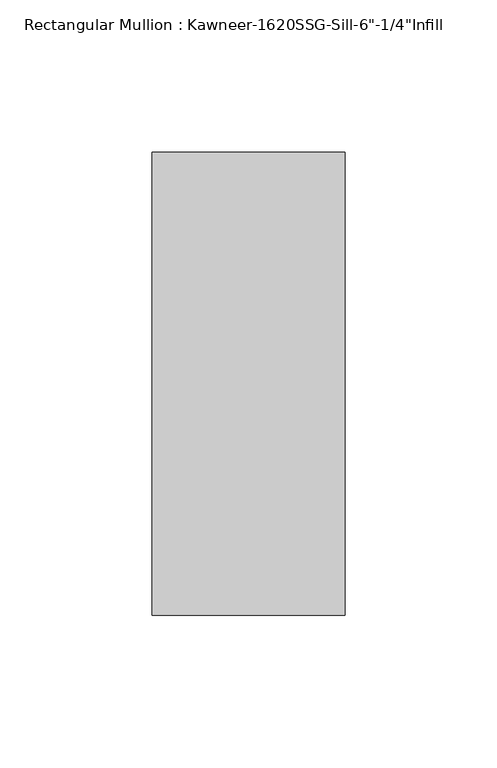
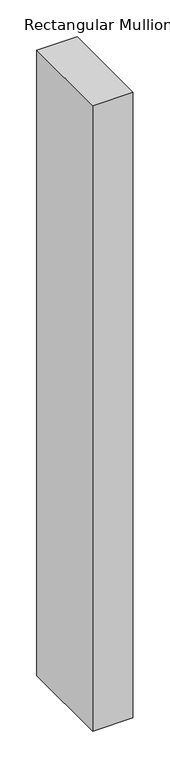
"""IFC4 building model written with IfcOpenShell, lengths in millimetres: member geometry."""

from ifc_helpers import new_model, si_unit, frame, origin, place, context, project, spatial, polyline, outline, extrude, source, transform, mapped, element, save


def member_122d9649(model_context):
    return source(origin(), model_context, "Body", "SweptSolid", [
        extrude(outline(polyline([(-63.5, 28.575), (0.0, 28.575), (0.0, -123.825), (-63.5, -123.825), (-63.5, 28.575)])), frame((0.0, 0.0, -1040.8609038), z_axis=(0.0, 0.0, 1.0), x_axis=(1.0, 0.0, 0.0)), (0.0, 0.0, 1.0), 1040.8609038),
    ])


if __name__ == "__main__":
    model = new_model("IFC4")
    model_context = context("Model", 3, world=origin())
    ifc_project = project(units=[si_unit("LENGTHUNIT", "METRE", prefix="MILLI")], contexts=[model_context])
    site = spatial("IfcSite", under=ifc_project)
    building = spatial("IfcBuilding", under=site)
    placement = place(None, origin())
    member_shape = member_122d9649(model_context)
    element("IfcMember", 1, ObjectType="Rectangular Mullion : Kawneer-1620SSG-Sill-6\"-1/4\"Infill", at=placement, inside=building, context=model_context, shape_type="MappedRepresentation", body=[
        mapped(member_shape, transform((0.0, 0.0, 0.0), x_axis=(1.0, 0.0, 0.0), y_axis=(0.0, 1.0, 0.0), z_axis=(0.0, 0.0, 1.0))),
    ])
    save(model, "model.ifc")
